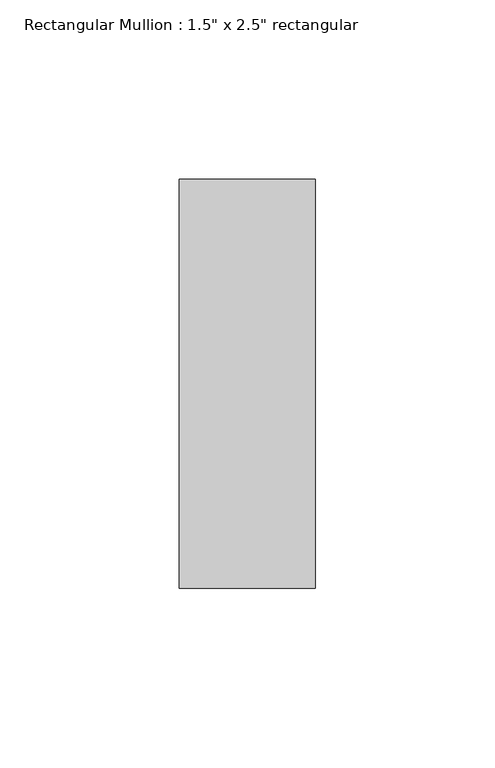
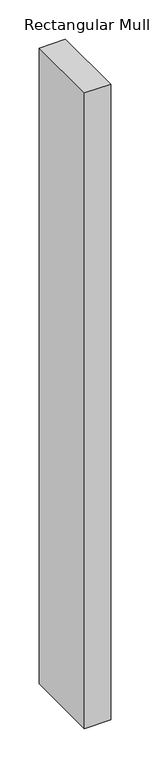
"""IFC4 building model written with IfcOpenShell, lengths in millimetres: member geometry."""

from ifc_helpers import new_model, si_unit, frame, origin, place, context, project, spatial, polyline, outline, extrude, source, transform, mapped, element, save


def member_6ea099bc(model_context):
    return source(origin(), model_context, "Body", "SweptSolid", [
        extrude(outline(polyline([(0.0, 57.15), (0.0, -57.15), (-38.1, -57.15), (-38.1, 57.15), (0.0, 57.15)])), frame((0.0, 0.0, -984.25), z_axis=(0.0, 0.0, 1.0), x_axis=(1.0, 0.0, 0.0)), (0.0, 0.0, 1.0), 984.25),
    ])


if __name__ == "__main__":
    model = new_model("IFC4")
    model_context = context("Model", 3, world=origin())
    ifc_project = project(units=[si_unit("LENGTHUNIT", "METRE", prefix="MILLI")], contexts=[model_context])
    site = spatial("IfcSite", under=ifc_project)
    building = spatial("IfcBuilding", under=site)
    placement = place(None, origin())
    member_shape = member_6ea099bc(model_context)
    element("IfcMember", 1, ObjectType="Rectangular Mullion : 1.5\" x 2.5\" rectangular", at=placement, inside=building, context=model_context, shape_type="MappedRepresentation", body=[
        mapped(member_shape, transform((0.0, 0.0, 0.0), x_axis=(1.0, 0.0, 0.0), y_axis=(0.0, 1.0, 0.0), z_axis=(0.0, 0.0, 1.0))),
    ])
    save(model, "model.ifc")
